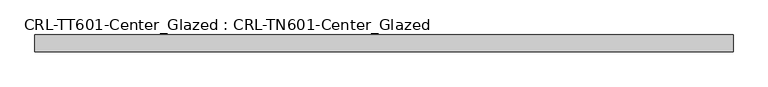
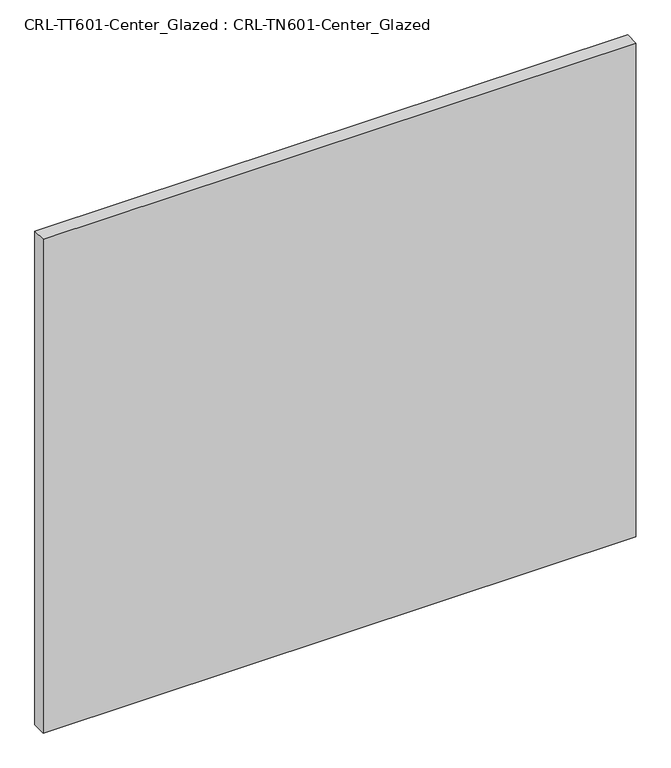
"""IFC4 building model written with IfcOpenShell, lengths in millimetres: plate geometry, CRL-TT601-Center_Glazed : CRL-TN601-Center_Glazed."""

from ifc_helpers import new_model, si_unit, origin, origin_with_axes, place, context, project, spatial, polyline, outline, extrude, source, transform, mapped, element, save


def crl_tt601_center_glazed_crl_tn601_center_glazed_71ba91d3(model_context):
    return source(origin(), model_context, "Body", "SweptSolid", [
        extrude(outline(polyline([(-526.5436936, -12.7254), (-526.5436936, 12.6746), (526.5436936, 12.6746), (526.5436936, -12.7254), (-526.5436936, -12.7254)])), origin_with_axes(), (0.0, 0.0, 1.0), 927.244537),
    ])


if __name__ == "__main__":
    model = new_model("IFC4")
    model_context = context("Model", 3, world=origin())
    ifc_project = project(units=[si_unit("LENGTHUNIT", "METRE", prefix="MILLI")], contexts=[model_context])
    site = spatial("IfcSite", under=ifc_project)
    building = spatial("IfcBuilding", under=site)
    placement = place(None, origin())
    crl_tt601_center_glazed_crl_tn601_center_glazed_shape = crl_tt601_center_glazed_crl_tn601_center_glazed_71ba91d3(model_context)
    element("IfcPlate", 1, ObjectType="CRL-TT601-Center_Glazed : CRL-TN601-Center_Glazed", at=placement, inside=building, context=model_context, shape_type="MappedRepresentation", body=[
        mapped(crl_tt601_center_glazed_crl_tn601_center_glazed_shape, transform((0.0, 0.0, 0.0), x_axis=(1.0, 0.0, 0.0), y_axis=(0.0, 1.0, 0.0), z_axis=(0.0, 0.0, 1.0))),
    ])
    save(model, "model.ifc")
